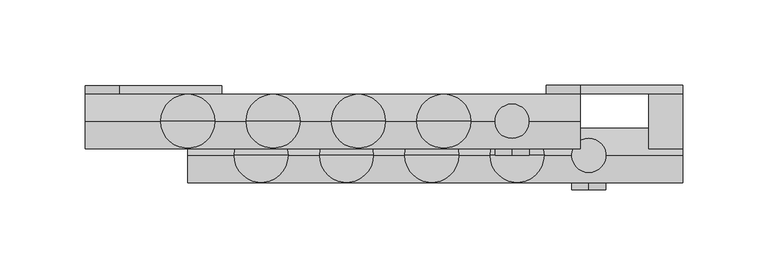
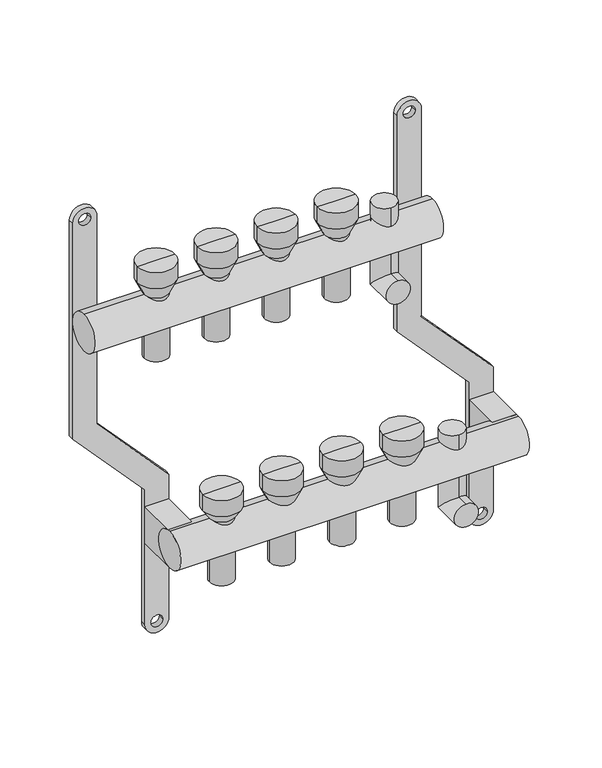
"""IFC4 building model written with IfcOpenShell, lengths in millimetres: proxy geometry."""

from ifc_helpers import new_model, si_unit, point, frame, frame_2d, origin, origin_2d, place, context, project, spatial, polyline, circle_curve, ellipse_curve, trimmed, segment, composite_curve, outline, extrude, source, transform, mapped, element, save
from ifc_brep_helpers import plane_surface, cylinder_surface, revolved_surface, advanced_brep


def mechanical_equipment_43ee845e(model_context):
    return source(origin(), model_context, "Body", "SolidModel", [
        extrude(outline(composite_curve([segment(trimmed(circle_curve(frame_2d((86.2845679, 270.0)), 10.0), [point((86.2845679, 280.0))], [point((86.2845679, 260.0))], False, "CARTESIAN"), True, "CONTINUOUS"), segment(polyline([(86.2845679, 260.0), (-103.7138261, 260.0), (-169.0329221, 320.0), (-287.9537524, 320.0)]), True, "CONTINUOUS"), segment(trimmed(circle_curve(frame_2d((-287.9537524, 330.0)), 10.0), [point((-287.9537524, 320.0))], [point((-287.9537524, 340.0))], False, "CARTESIAN"), True, "CONTINUOUS"), segment(polyline([(-287.9537524, 340.0), (-162.5345282, 340.0), (-97.2154321, 280.0), (86.2845679, 280.0)]), True, "CONTINUOUS")], self_intersect=False), holes=[composite_curve([segment(trimmed(circle_curve(frame_2d((86.2845679, 270.0)), 5.0), [point((86.2845679, 265.0))], [point((86.2845679, 275.0))], True, "CARTESIAN"), True, "CONTINUOUS"), segment(trimmed(circle_curve(frame_2d((86.2845679, 270.0)), 5.0), [point((86.2845679, 275.0))], [point((86.2845679, 265.0))], True, "CARTESIAN"), True, "CONTINUOUS")], self_intersect=False), composite_curve([segment(trimmed(circle_curve(frame_2d((-287.9537524, 330.0)), 5.0), [point((-287.9537524, 325.0))], [point((-287.9537524, 335.0))], True, "CARTESIAN"), True, "CONTINUOUS"), segment(trimmed(circle_curve(frame_2d((-287.9537524, 330.0)), 5.0), [point((-287.9537524, 335.0))], [point((-287.9537524, 325.0))], True, "CARTESIAN"), True, "CONTINUOUS")], self_intersect=False)]), frame((0.0, 16.0, 0.0), z_axis=(0.0, 1.0, 0.0), x_axis=(0.0, 0.0, 1.0)), (0.0, 0.0, 1.0), 5.0),
        advanced_brep(
        [(285.0, -40.0, -250.0), (285.0, -40.0, -230.0), (285.0, -10.0, -250.0), (285.0, -30.0, -230.0), (285.0, -10.0, -175.079492), (285.0, -30.0, -175.079492)],
        [
            (0, 1, circle_curve(frame((285.0, -40.0, -240.0), z_axis=(0.0, -1.0, 0.0), x_axis=(0.0, 0.0, 1.0)), 10.0)),
            (1, 0, circle_curve(frame((285.0, -40.0, -240.0), z_axis=(0.0, -1.0, 0.0), x_axis=(0.0, 0.0, 1.0)), 10.0)),
            (0, 2),
            (2, 3, ellipse_curve(frame((285.0, -20.0, -240.0), z_axis=(0.0, -0.7071067811865475, -0.7071067811865475), x_axis=(0.0, -0.7071067811865476, 0.7071067811865474)), 14.1421356, 10.0)),
            (3, 1),
            (3, 2, ellipse_curve(frame((285.0, -20.0, -240.0), z_axis=(0.0, -0.7071067811865475, -0.7071067811865475), x_axis=(0.0, -0.7071067811865476, 0.7071067811865474)), 14.1421356, 10.0)),
            (4, 5, circle_curve(frame((285.0, -20.0, -175.079492), z_axis=(0.0, 0.0, 1.0), x_axis=(0.0, -1.0, 0.0)), 10.0)),
            (5, 4, circle_curve(frame((285.0, -20.0, -175.079492), z_axis=(0.0, 0.0, 1.0), x_axis=(0.0, -1.0, 0.0)), 10.0)),
            (2, 4),
            (5, 3),
        ],
        [
            plane_surface(frame((285.0, -40.0, -240.0), z_axis=(0.0, -1.0, 0.0), x_axis=(1.0, 0.0, 0.0))),
            cylinder_surface(frame((285.0, -40.0, -240.0), z_axis=(0.0, -1.0, 0.0), x_axis=(0.0, 0.0, 1.0)), 10.0),
            plane_surface(frame((285.0, -20.0, -175.079492), z_axis=(0.0, 0.0, 1.0), x_axis=(1.0, 0.0, 0.0))),
            cylinder_surface(frame((285.0, -20.0, -240.0), z_axis=(0.0, 0.0, -1.0), x_axis=(0.0, -1.0, 0.0)), 10.0),
        ],
        [
            (0, [[1, 2]]),
            (1, [[-1, 3, 4, 5]]),
            (1, [[-2, -5, 6, -3]]),
            (2, [[7, 8]]),
            (3, [[-4, 9, -8, 10]]),
            (3, [[-6, -10, -7, -9]]),
        ],
    ),
        advanced_brep(
        [(240.0, -20.0, -50.0), (240.0, -20.0, -30.0), (240.0, 10.0, -50.0), (240.0, -10.0, -30.0), (240.0, 10.0, 28.420508), (240.0, -10.0, 28.420508)],
        [
            (0, 1, circle_curve(frame((240.0, -20.0, -40.0), z_axis=(0.0, -1.0, 0.0), x_axis=(0.0, 0.0, 1.0)), 10.0)),
            (1, 0, circle_curve(frame((240.0, -20.0, -40.0), z_axis=(0.0, -1.0, 0.0), x_axis=(0.0, 0.0, 1.0)), 10.0)),
            (0, 2),
            (2, 3, ellipse_curve(frame((240.0, 0.0, -40.0), z_axis=(0.0, -0.7071067811865486, -0.7071067811865464), x_axis=(0.0, -0.7071067811865466, 0.7071067811865485)), 14.1421356, 10.0)),
            (3, 1),
            (3, 2, ellipse_curve(frame((240.0, 0.0, -40.0), z_axis=(0.0, -0.7071067811865486, -0.7071067811865464), x_axis=(0.0, -0.7071067811865466, 0.7071067811865485)), 14.1421356, 10.0)),
            (4, 5, circle_curve(frame((240.0, 0.0, 28.420508), z_axis=(0.0, 0.0, 1.0), x_axis=(0.0, -1.0, 0.0)), 10.0)),
            (5, 4, circle_curve(frame((240.0, 0.0, 28.420508), z_axis=(0.0, 0.0, 1.0), x_axis=(0.0, -1.0, 0.0)), 10.0)),
            (2, 4),
            (5, 3),
        ],
        [
            plane_surface(frame((240.0, -20.0, -40.0), z_axis=(0.0, -1.0, 0.0), x_axis=(1.0, 0.0, 0.0))),
            cylinder_surface(frame((240.0, -20.0, -40.0), z_axis=(0.0, -1.0, 0.0), x_axis=(0.0, 0.0, 1.0)), 10.0),
            plane_surface(frame((240.0, 0.0, 28.420508), z_axis=(0.0, 0.0, 1.0), x_axis=(1.0, 0.0, 0.0))),
            cylinder_surface(frame((240.0, 0.0, -40.0), z_axis=(0.0, 0.0, -1.0), x_axis=(0.0, -1.0, 0.0)), 10.0),
        ],
        [
            (0, [[1, 2]]),
            (1, [[-1, 3, 4, 5]]),
            (1, [[-2, -5, 6, -3]]),
            (2, [[7, 8]]),
            (3, [[-4, 9, -8, 10]]),
            (3, [[-6, -10, -7, -9]]),
        ],
    ),
        extrude(outline(composite_curve([segment(trimmed(circle_curve(frame_2d((-20.0, -200.0)), 16.0), [point((-20.0, -216.0))], [point((-20.0, -184.0))], False, "CARTESIAN"), True, "CONTINUOUS"), segment(trimmed(circle_curve(frame_2d((-20.0, -200.0)), 16.0), [point((-20.0, -184.0))], [point((-20.0, -216.0))], False, "CARTESIAN"), True, "CONTINUOUS")], self_intersect=False)), frame((50.0, 0.0, 0.0), z_axis=(1.0, 0.0, 0.0), x_axis=(0.0, 1.0, 0.0)), (0.0, 0.0, 1.0), 290.0),
        extrude(outline(composite_curve([segment(trimmed(circle_curve(origin_2d(), 16.0), [point((0.0, -16.0))], [point((0.0, 16.0))], False, "CARTESIAN"), True, "CONTINUOUS"), segment(trimmed(circle_curve(origin_2d(), 16.0), [point((0.0, 16.0))], [point((0.0, -16.0))], False, "CARTESIAN"), True, "CONTINUOUS")], self_intersect=False)), frame((-10.0, 0.0, 0.0), z_axis=(1.0, 0.0, 0.0), x_axis=(0.0, 1.0, 0.0)), (0.0, 0.0, 1.0), 290.0),
        extrude(outline(polyline([(340.0, 16.0), (340.0, -20.0), (320.0, -20.0), (320.0, 16.0), (340.0, 16.0)])), frame((0.0, 0.0, -216.0), z_axis=(0.0, 0.0, 1.0), x_axis=(1.0, 0.0, 0.0)), (0.0, 0.0, 1.0), 32.0),
        extrude(outline(polyline([(70.0, 16.0), (70.0, -20.0), (50.0, -20.0), (50.0, 16.0), (70.0, 16.0)])), frame((0.0, 0.0, -216.0), z_axis=(0.0, 0.0, 1.0), x_axis=(1.0, 0.0, 0.0)), (0.0, 0.0, 1.0), 32.0),
        advanced_brep(
        [(208.0, 0.0, -40.0), (192.0, 0.0, -40.0), (192.0, 0.0, 16.0), (208.0, 0.0, 16.0), (210.0, 0.0, -40.0), (190.0, 0.0, -40.0), (210.0, 0.0, 16.0), (190.0, 0.0, 16.0), (215.791778, 0.0, 28.420508), (184.208222, 0.0, 28.420508), (215.791778, 0.0, 42.4712727), (184.208222, 0.0, 42.4712727), (200.0, 0.0, 42.4712727), (200.0, 0.0, 16.0)],
        [
            (0, 1, circle_curve(frame((200.0, 0.0, -40.0), z_axis=(0.0, 0.0, -1.0), x_axis=(-1.0, 0.0, 0.0)), 8.0)),
            (1, 2),
            (2, 3, circle_curve(frame((200.0, 0.0, 16.0), z_axis=(0.0, 0.0, 1.0), x_axis=(-1.0, 0.0, 0.0)), 8.0)),
            (3, 0),
            (1, 0, circle_curve(frame((200.0, 0.0, -40.0), z_axis=(0.0, 0.0, -1.0), x_axis=(-1.0, 0.0, 0.0)), 8.0)),
            (3, 2, circle_curve(frame((200.0, 0.0, 16.0), z_axis=(0.0, 0.0, 1.0), x_axis=(-1.0, 0.0, 0.0)), 8.0)),
            (4, 5, circle_curve(frame((200.0, 0.0, -40.0), z_axis=(0.0, 0.0, -1.0), x_axis=(-1.0, 0.0, 0.0)), 10.0)),
            (5, 1),
            (0, 4),
            (5, 4, circle_curve(frame((200.0, 0.0, -40.0), z_axis=(0.0, 0.0, -1.0), x_axis=(-1.0, 0.0, 0.0)), 10.0)),
            (6, 7, circle_curve(frame((200.0, 0.0, 16.0), z_axis=(0.0, 0.0, -1.0), x_axis=(-1.0, 0.0, 0.0)), 10.0)),
            (7, 5),
            (4, 6),
            (7, 6, circle_curve(frame((200.0, 0.0, 16.0), z_axis=(0.0, 0.0, -1.0), x_axis=(-1.0, 0.0, 0.0)), 10.0)),
            (8, 9, circle_curve(frame((200.0, 0.0, 28.420508), z_axis=(0.0, 0.0, -1.0), x_axis=(-1.0, 0.0, 0.0)), 15.791778)),
            (9, 7),
            (6, 8),
            (9, 8, circle_curve(frame((200.0, 0.0, 28.420508), z_axis=(0.0, 0.0, -1.0), x_axis=(-1.0, 0.0, 0.0)), 15.791778)),
            (10, 11, circle_curve(frame((200.0, 0.0, 42.4712727), z_axis=(0.0, 0.0, -1.0), x_axis=(-1.0, 0.0, 0.0)), 15.791778)),
            (11, 9),
            (8, 10),
            (11, 10, circle_curve(frame((200.0, 0.0, 42.4712727), z_axis=(0.0, 0.0, -1.0), x_axis=(-1.0, 0.0, 0.0)), 15.791778)),
            (12, 11),
            (10, 12),
            (2, 13),
            (13, 3),
        ],
        [
            revolved_surface(polyline([(192.0, 0.0, 16.0), (192.0, 0.0, -40.0)]), (200.0, 0.0, 0.0), (0.0, 0.0, 1.0)),
            plane_surface(frame((200.0, 0.0, -40.0), z_axis=(0.0, 0.0, -1.0), x_axis=(-1.0, 0.0, 0.0))),
            cylinder_surface(frame((200.0, 0.0, 0.0), z_axis=(0.0, 0.0, 1.0), x_axis=(-1.0, 0.0, 0.0)), 10.0),
            revolved_surface(polyline([(190.0, 0.0, 16.0), (184.208222, 0.0, 28.420508)]), (200.0, 0.0, 0.0), (0.0, 0.0, 1.0)),
            cylinder_surface(frame((200.0, 0.0, 0.0), z_axis=(0.0, 0.0, 1.0), x_axis=(-1.0, 0.0, 0.0)), 15.791778),
            plane_surface(frame((200.0, 0.0, 42.4712727), z_axis=(0.0, 0.0, 1.0), x_axis=(-1.0, 0.0, 0.0))),
            plane_surface(frame((200.0, 0.0, 16.0), z_axis=(0.0, 0.0, -1.0), x_axis=(-1.0, 0.0, 0.0))),
        ],
        [
            (0, [[1, 2, 3, 4]]),
            (0, [[5, -4, 6, -2]]),
            (1, [[7, 8, -1, 9]]),
            (1, [[10, -9, -5, -8]]),
            (2, [[11, 12, -7, 13]]),
            (2, [[14, -13, -10, -12]]),
            (3, [[15, 16, -11, 17]]),
            (3, [[18, -17, -14, -16]]),
            (4, [[19, 20, -15, 21]]),
            (4, [[22, -21, -18, -20]]),
            (5, [[23, -19, 24]]),
            (5, [[-24, -22, -23]]),
            (6, [[-3, 25, 26]]),
            (6, [[-6, -26, -25]]),
        ],
    ),
        advanced_brep(
        [(158.0, 0.0, -40.0), (142.0, 0.0, -40.0), (142.0, 0.0, 16.0), (158.0, 0.0, 16.0), (160.0, 0.0, -40.0), (140.0, 0.0, -40.0), (160.0, 0.0, 16.0), (140.0, 0.0, 16.0), (165.791778, 0.0, 28.420508), (134.208222, 0.0, 28.420508), (165.791778, 0.0, 42.4712727), (134.208222, 0.0, 42.4712727), (150.0, 0.0, 42.4712727), (150.0, 0.0, 16.0)],
        [
            (0, 1, circle_curve(frame((150.0, 0.0, -40.0), z_axis=(0.0, 0.0, -1.0), x_axis=(-1.0, 0.0, 0.0)), 8.0)),
            (1, 2),
            (2, 3, circle_curve(frame((150.0, 0.0, 16.0), z_axis=(0.0, 0.0, 1.0), x_axis=(-1.0, 0.0, 0.0)), 8.0)),
            (3, 0),
            (1, 0, circle_curve(frame((150.0, 0.0, -40.0), z_axis=(0.0, 0.0, -1.0), x_axis=(-1.0, 0.0, 0.0)), 8.0)),
            (3, 2, circle_curve(frame((150.0, 0.0, 16.0), z_axis=(0.0, 0.0, 1.0), x_axis=(-1.0, 0.0, 0.0)), 8.0)),
            (4, 5, circle_curve(frame((150.0, 0.0, -40.0), z_axis=(0.0, 0.0, -1.0), x_axis=(-1.0, 0.0, 0.0)), 10.0)),
            (5, 1),
            (0, 4),
            (5, 4, circle_curve(frame((150.0, 0.0, -40.0), z_axis=(0.0, 0.0, -1.0), x_axis=(-1.0, 0.0, 0.0)), 10.0)),
            (6, 7, circle_curve(frame((150.0, 0.0, 16.0), z_axis=(0.0, 0.0, -1.0), x_axis=(-1.0, 0.0, 0.0)), 10.0)),
            (7, 5),
            (4, 6),
            (7, 6, circle_curve(frame((150.0, 0.0, 16.0), z_axis=(0.0, 0.0, -1.0), x_axis=(-1.0, 0.0, 0.0)), 10.0)),
            (8, 9, circle_curve(frame((150.0, 0.0, 28.420508), z_axis=(0.0, 0.0, -1.0), x_axis=(-1.0, 0.0, 0.0)), 15.791778)),
            (9, 7),
            (6, 8),
            (9, 8, circle_curve(frame((150.0, 0.0, 28.420508), z_axis=(0.0, 0.0, -1.0), x_axis=(-1.0, 0.0, 0.0)), 15.791778)),
            (10, 11, circle_curve(frame((150.0, 0.0, 42.4712727), z_axis=(0.0, 0.0, -1.0), x_axis=(-1.0, 0.0, 0.0)), 15.791778)),
            (11, 9),
            (8, 10),
            (11, 10, circle_curve(frame((150.0, 0.0, 42.4712727), z_axis=(0.0, 0.0, -1.0), x_axis=(-1.0, 0.0, 0.0)), 15.791778)),
            (12, 11),
            (10, 12),
            (2, 13),
            (13, 3),
        ],
        [
            revolved_surface(polyline([(142.0, 0.0, 16.0), (142.0, 0.0, -40.0)]), (150.0, 0.0, 0.0), (0.0, 0.0, 1.0)),
            plane_surface(frame((150.0, 0.0, -40.0), z_axis=(0.0, 0.0, -1.0), x_axis=(-1.0, 0.0, 0.0))),
            cylinder_surface(frame((150.0, 0.0, 0.0), z_axis=(0.0, 0.0, 1.0), x_axis=(-1.0, 0.0, 0.0)), 10.0),
            revolved_surface(polyline([(140.0, 0.0, 16.0), (134.208222, 0.0, 28.420508)]), (150.0, 0.0, 0.0), (0.0, 0.0, 1.0)),
            cylinder_surface(frame((150.0, 0.0, 0.0), z_axis=(0.0, 0.0, 1.0), x_axis=(-1.0, 0.0, 0.0)), 15.791778),
            plane_surface(frame((150.0, 0.0, 42.4712727), z_axis=(0.0, 0.0, 1.0), x_axis=(-1.0, 0.0, 0.0))),
            plane_surface(frame((150.0, 0.0, 16.0), z_axis=(0.0, 0.0, -1.0), x_axis=(-1.0, 0.0, 0.0))),
        ],
        [
            (0, [[1, 2, 3, 4]]),
            (0, [[5, -4, 6, -2]]),
            (1, [[7, 8, -1, 9]]),
            (1, [[10, -9, -5, -8]]),
            (2, [[11, 12, -7, 13]]),
            (2, [[14, -13, -10, -12]]),
            (3, [[15, 16, -11, 17]]),
            (3, [[18, -17, -14, -16]]),
            (4, [[19, 20, -15, 21]]),
            (4, [[22, -21, -18, -20]]),
            (5, [[23, -19, 24]]),
            (5, [[-24, -22, -23]]),
            (6, [[-3, 25, 26]]),
            (6, [[-6, -26, -25]]),
        ],
    ),
        advanced_brep(
        [(108.0, 0.0, -40.0), (92.0, 0.0, -40.0), (92.0, 0.0, 16.0), (108.0, 0.0, 16.0), (110.0, 0.0, -40.0), (90.0, 0.0, -40.0), (110.0, 0.0, 16.0), (90.0, 0.0, 16.0), (115.791778, 0.0, 28.420508), (84.208222, 0.0, 28.420508), (115.791778, 0.0, 42.4712727), (84.208222, 0.0, 42.4712727), (100.0, 0.0, 42.4712727), (100.0, 0.0, 16.0)],
        [
            (0, 1, circle_curve(frame((100.0, 0.0, -40.0), z_axis=(0.0, 0.0, -1.0), x_axis=(-1.0, 0.0, 0.0)), 8.0)),
            (1, 2),
            (2, 3, circle_curve(frame((100.0, 0.0, 16.0), z_axis=(0.0, 0.0, 1.0), x_axis=(-1.0, 0.0, 0.0)), 8.0)),
            (3, 0),
            (1, 0, circle_curve(frame((100.0, 0.0, -40.0), z_axis=(0.0, 0.0, -1.0), x_axis=(-1.0, 0.0, 0.0)), 8.0)),
            (3, 2, circle_curve(frame((100.0, 0.0, 16.0), z_axis=(0.0, 0.0, 1.0), x_axis=(-1.0, 0.0, 0.0)), 8.0)),
            (4, 5, circle_curve(frame((100.0, 0.0, -40.0), z_axis=(0.0, 0.0, -1.0), x_axis=(-1.0, 0.0, 0.0)), 10.0)),
            (5, 1),
            (0, 4),
            (5, 4, circle_curve(frame((100.0, 0.0, -40.0), z_axis=(0.0, 0.0, -1.0), x_axis=(-1.0, 0.0, 0.0)), 10.0)),
            (6, 7, circle_curve(frame((100.0, 0.0, 16.0), z_axis=(0.0, 0.0, -1.0), x_axis=(-1.0, 0.0, 0.0)), 10.0)),
            (7, 5),
            (4, 6),
            (7, 6, circle_curve(frame((100.0, 0.0, 16.0), z_axis=(0.0, 0.0, -1.0), x_axis=(-1.0, 0.0, 0.0)), 10.0)),
            (8, 9, circle_curve(frame((100.0, 0.0, 28.420508), z_axis=(0.0, 0.0, -1.0), x_axis=(-1.0, 0.0, 0.0)), 15.791778)),
            (9, 7),
            (6, 8),
            (9, 8, circle_curve(frame((100.0, 0.0, 28.420508), z_axis=(0.0, 0.0, -1.0), x_axis=(-1.0, 0.0, 0.0)), 15.791778)),
            (10, 11, circle_curve(frame((100.0, 0.0, 42.4712727), z_axis=(0.0, 0.0, -1.0), x_axis=(-1.0, 0.0, 0.0)), 15.791778)),
            (11, 9),
            (8, 10),
            (11, 10, circle_curve(frame((100.0, 0.0, 42.4712727), z_axis=(0.0, 0.0, -1.0), x_axis=(-1.0, 0.0, 0.0)), 15.791778)),
            (12, 11),
            (10, 12),
            (2, 13),
            (13, 3),
        ],
        [
            revolved_surface(polyline([(92.0, 0.0, 16.0), (92.0, 0.0, -40.0)]), (100.0, 0.0, 0.0), (0.0, 0.0, 1.0)),
            plane_surface(frame((100.0, 0.0, -40.0), z_axis=(0.0, 0.0, -1.0), x_axis=(-1.0, 0.0, 0.0))),
            cylinder_surface(frame((100.0, 0.0, 0.0), z_axis=(0.0, 0.0, 1.0), x_axis=(-1.0, 0.0, 0.0)), 10.0),
            revolved_surface(polyline([(90.0, 0.0, 16.0), (84.208222, 0.0, 28.420508)]), (100.0, 0.0, 0.0), (0.0, 0.0, 1.0)),
            cylinder_surface(frame((100.0, 0.0, 0.0), z_axis=(0.0, 0.0, 1.0), x_axis=(-1.0, 0.0, 0.0)), 15.791778),
            plane_surface(frame((100.0, 0.0, 42.4712727), z_axis=(0.0, 0.0, 1.0), x_axis=(-1.0, 0.0, 0.0))),
            plane_surface(frame((100.0, 0.0, 16.0), z_axis=(0.0, 0.0, -1.0), x_axis=(-1.0, 0.0, 0.0))),
        ],
        [
            (0, [[1, 2, 3, 4]]),
            (0, [[5, -4, 6, -2]]),
            (1, [[7, 8, -1, 9]]),
            (1, [[10, -9, -5, -8]]),
            (2, [[11, 12, -7, 13]]),
            (2, [[14, -13, -10, -12]]),
            (3, [[15, 16, -11, 17]]),
            (3, [[18, -17, -14, -16]]),
            (4, [[19, 20, -15, 21]]),
            (4, [[22, -21, -18, -20]]),
            (5, [[23, -19, 24]]),
            (5, [[-24, -22, -23]]),
            (6, [[-3, 25, 26]]),
            (6, [[-6, -26, -25]]),
        ],
    ),
        advanced_brep(
        [(58.0, 0.0, -40.0), (42.0, 0.0, -40.0), (42.0, 0.0, 16.0), (58.0, 0.0, 16.0), (60.0, 0.0, -40.0), (40.0, 0.0, -40.0), (60.0, 0.0, 16.0), (40.0, 0.0, 16.0), (65.791778, 0.0, 28.420508), (34.208222, 0.0, 28.420508), (65.791778, 0.0, 42.4712727), (34.208222, 0.0, 42.4712727), (50.0, 0.0, 42.4712727), (50.0, 0.0, 16.0)],
        [
            (0, 1, circle_curve(frame((50.0, 0.0, -40.0), z_axis=(0.0, 0.0, -1.0), x_axis=(-1.0, 0.0, 0.0)), 8.0)),
            (1, 2),
            (2, 3, circle_curve(frame((50.0, 0.0, 16.0), z_axis=(0.0, 0.0, 1.0), x_axis=(-1.0, 0.0, 0.0)), 8.0)),
            (3, 0),
            (1, 0, circle_curve(frame((50.0, 0.0, -40.0), z_axis=(0.0, 0.0, -1.0), x_axis=(-1.0, 0.0, 0.0)), 8.0)),
            (3, 2, circle_curve(frame((50.0, 0.0, 16.0), z_axis=(0.0, 0.0, 1.0), x_axis=(-1.0, 0.0, 0.0)), 8.0)),
            (4, 5, circle_curve(frame((50.0, 0.0, -40.0), z_axis=(0.0, 0.0, -1.0), x_axis=(-1.0, 0.0, 0.0)), 10.0)),
            (5, 1),
            (0, 4),
            (5, 4, circle_curve(frame((50.0, 0.0, -40.0), z_axis=(0.0, 0.0, -1.0), x_axis=(-1.0, 0.0, 0.0)), 10.0)),
            (6, 7, circle_curve(frame((50.0, 0.0, 16.0), z_axis=(0.0, 0.0, -1.0), x_axis=(-1.0, 0.0, 0.0)), 10.0)),
            (7, 5),
            (4, 6),
            (7, 6, circle_curve(frame((50.0, 0.0, 16.0), z_axis=(0.0, 0.0, -1.0), x_axis=(-1.0, 0.0, 0.0)), 10.0)),
            (8, 9, circle_curve(frame((50.0, 0.0, 28.420508), z_axis=(0.0, 0.0, -1.0), x_axis=(-1.0, 0.0, 0.0)), 15.791778)),
            (9, 7),
            (6, 8),
            (9, 8, circle_curve(frame((50.0, 0.0, 28.420508), z_axis=(0.0, 0.0, -1.0), x_axis=(-1.0, 0.0, 0.0)), 15.791778)),
            (10, 11, circle_curve(frame((50.0, 0.0, 42.4712727), z_axis=(0.0, 0.0, -1.0), x_axis=(-1.0, 0.0, 0.0)), 15.791778)),
            (11, 9),
            (8, 10),
            (11, 10, circle_curve(frame((50.0, 0.0, 42.4712727), z_axis=(0.0, 0.0, -1.0), x_axis=(-1.0, 0.0, 0.0)), 15.791778)),
            (12, 11),
            (10, 12),
            (2, 13),
            (13, 3),
        ],
        [
            revolved_surface(polyline([(42.0, 0.0, 16.0), (42.0, 0.0, -40.0)]), (50.0, 0.0, 0.0), (0.0, 0.0, 1.0)),
            plane_surface(frame((50.0, 0.0, -40.0), z_axis=(0.0, 0.0, -1.0), x_axis=(-1.0, 0.0, 0.0))),
            cylinder_surface(frame((50.0, 0.0, 0.0), z_axis=(0.0, 0.0, 1.0), x_axis=(-1.0, 0.0, 0.0)), 10.0),
            revolved_surface(polyline([(40.0, 0.0, 16.0), (34.208222, 0.0, 28.420508)]), (50.0, 0.0, 0.0), (0.0, 0.0, 1.0)),
            cylinder_surface(frame((50.0, 0.0, 0.0), z_axis=(0.0, 0.0, 1.0), x_axis=(-1.0, 0.0, 0.0)), 15.791778),
            plane_surface(frame((50.0, 0.0, 42.4712727), z_axis=(0.0, 0.0, 1.0), x_axis=(-1.0, 0.0, 0.0))),
            plane_surface(frame((50.0, 0.0, 16.0), z_axis=(0.0, 0.0, -1.0), x_axis=(-1.0, 0.0, 0.0))),
        ],
        [
            (0, [[1, 2, 3, 4]]),
            (0, [[5, -4, 6, -2]]),
            (1, [[7, 8, -1, 9]]),
            (1, [[10, -9, -5, -8]]),
            (2, [[11, 12, -7, 13]]),
            (2, [[14, -13, -10, -12]]),
            (3, [[15, 16, -11, 17]]),
            (3, [[18, -17, -14, -16]]),
            (4, [[19, 20, -15, 21]]),
            (4, [[22, -21, -18, -20]]),
            (5, [[23, -19, 24]]),
            (5, [[-24, -22, -23]]),
            (6, [[-3, 25, 26]]),
            (6, [[-6, -26, -25]]),
        ],
    ),
        advanced_brep(
        [(251.0, -20.0, -240.0), (235.0, -20.0, -240.0), (235.0, -20.0, -187.5), (251.0, -20.0, -187.5), (253.0, -20.0, -240.0), (233.0, -20.0, -240.0), (253.0, -20.0, -187.5), (233.0, -20.0, -187.5), (258.791778, -20.0, -175.079492), (227.208222, -20.0, -175.079492), (258.791778, -20.0, -161.0287273), (227.208222, -20.0, -161.0287273), (243.0, -20.0, -161.0287273), (243.0, -20.0, -187.5)],
        [
            (0, 1, circle_curve(frame((243.0, -20.0, -240.0), z_axis=(0.0, 0.0, -1.0), x_axis=(-1.0, 0.0, 0.0)), 8.0)),
            (1, 2),
            (2, 3, circle_curve(frame((243.0, -20.0, -187.5), z_axis=(0.0, 0.0, 1.0), x_axis=(-1.0, 0.0, 0.0)), 8.0)),
            (3, 0),
            (1, 0, circle_curve(frame((243.0, -20.0, -240.0), z_axis=(0.0, 0.0, -1.0), x_axis=(-1.0, 0.0, 0.0)), 8.0)),
            (3, 2, circle_curve(frame((243.0, -20.0, -187.5), z_axis=(0.0, 0.0, 1.0), x_axis=(-1.0, 0.0, 0.0)), 8.0)),
            (4, 5, circle_curve(frame((243.0, -20.0, -240.0), z_axis=(0.0, 0.0, -1.0), x_axis=(-1.0, 0.0, 0.0)), 10.0)),
            (5, 1),
            (0, 4),
            (5, 4, circle_curve(frame((243.0, -20.0, -240.0), z_axis=(0.0, 0.0, -1.0), x_axis=(-1.0, 0.0, 0.0)), 10.0)),
            (6, 7, circle_curve(frame((243.0, -20.0, -187.5), z_axis=(0.0, 0.0, -1.0), x_axis=(-1.0, 0.0, 0.0)), 10.0)),
            (7, 5),
            (4, 6),
            (7, 6, circle_curve(frame((243.0, -20.0, -187.5), z_axis=(0.0, 0.0, -1.0), x_axis=(-1.0, 0.0, 0.0)), 10.0)),
            (8, 9, circle_curve(frame((243.0, -20.0, -175.079492), z_axis=(0.0, 0.0, -1.0), x_axis=(-1.0, 0.0, 0.0)), 15.791778)),
            (9, 7),
            (6, 8),
            (9, 8, circle_curve(frame((243.0, -20.0, -175.079492), z_axis=(0.0, 0.0, -1.0), x_axis=(-1.0, 0.0, 0.0)), 15.791778)),
            (10, 11, circle_curve(frame((243.0, -20.0, -161.0287273), z_axis=(0.0, 0.0, -1.0), x_axis=(-1.0, 0.0, 0.0)), 15.791778)),
            (11, 9),
            (8, 10),
            (11, 10, circle_curve(frame((243.0, -20.0, -161.0287273), z_axis=(0.0, 0.0, -1.0), x_axis=(-1.0, 0.0, 0.0)), 15.791778)),
            (12, 11),
            (10, 12),
            (2, 13),
            (13, 3),
        ],
        [
            revolved_surface(polyline([(235.0, -20.0, -187.5), (235.0, -20.0, -240.0)]), (243.0, -20.0, -200.0), (0.0, 0.0, 1.0)),
            plane_surface(frame((243.0, -20.0, -240.0), z_axis=(0.0, 0.0, -1.0), x_axis=(-1.0, 0.0, 0.0))),
            cylinder_surface(frame((243.0, -20.0, -200.0), z_axis=(0.0, 0.0, 1.0), x_axis=(-1.0, 0.0, 0.0)), 10.0),
            revolved_surface(polyline([(233.0, -20.0, -187.5), (227.208222, -20.0, -175.079492)]), (243.0, -20.0, -200.0), (0.0, 0.0, 1.0)),
            cylinder_surface(frame((243.0, -20.0, -200.0), z_axis=(0.0, 0.0, 1.0), x_axis=(-1.0, 0.0, 0.0)), 15.791778),
            plane_surface(frame((243.0, -20.0, -161.0287273), z_axis=(0.0, 0.0, 1.0), x_axis=(-1.0, 0.0, 0.0))),
            plane_surface(frame((243.0, -20.0, -187.5), z_axis=(0.0, 0.0, -1.0), x_axis=(-1.0, 0.0, 0.0))),
        ],
        [
            (0, [[1, 2, 3, 4]]),
            (0, [[5, -4, 6, -2]]),
            (1, [[7, 8, -1, 9]]),
            (1, [[10, -9, -5, -8]]),
            (2, [[11, 12, -7, 13]]),
            (2, [[14, -13, -10, -12]]),
            (3, [[15, 16, -11, 17]]),
            (3, [[18, -17, -14, -16]]),
            (4, [[19, 20, -15, 21]]),
            (4, [[22, -21, -18, -20]]),
            (5, [[23, -19, 24]]),
            (5, [[-24, -22, -23]]),
            (6, [[-3, 25, 26]]),
            (6, [[-6, -26, -25]]),
        ],
    ),
        advanced_brep(
        [(201.0, -20.0, -240.0), (185.0, -20.0, -240.0), (185.0, -20.0, -187.5), (201.0, -20.0, -187.5), (203.0, -20.0, -240.0), (183.0, -20.0, -240.0), (203.0, -20.0, -187.5), (183.0, -20.0, -187.5), (208.791778, -20.0, -175.079492), (177.208222, -20.0, -175.079492), (208.791778, -20.0, -161.0287273), (177.208222, -20.0, -161.0287273), (193.0, -20.0, -161.0287273), (193.0, -20.0, -187.5)],
        [
            (0, 1, circle_curve(frame((193.0, -20.0, -240.0), z_axis=(0.0, 0.0, -1.0), x_axis=(-1.0, 0.0, 0.0)), 8.0)),
            (1, 2),
            (2, 3, circle_curve(frame((193.0, -20.0, -187.5), z_axis=(0.0, 0.0, 1.0), x_axis=(-1.0, 0.0, 0.0)), 8.0)),
            (3, 0),
            (1, 0, circle_curve(frame((193.0, -20.0, -240.0), z_axis=(0.0, 0.0, -1.0), x_axis=(-1.0, 0.0, 0.0)), 8.0)),
            (3, 2, circle_curve(frame((193.0, -20.0, -187.5), z_axis=(0.0, 0.0, 1.0), x_axis=(-1.0, 0.0, 0.0)), 8.0)),
            (4, 5, circle_curve(frame((193.0, -20.0, -240.0), z_axis=(0.0, 0.0, -1.0), x_axis=(-1.0, 0.0, 0.0)), 10.0)),
            (5, 1),
            (0, 4),
            (5, 4, circle_curve(frame((193.0, -20.0, -240.0), z_axis=(0.0, 0.0, -1.0), x_axis=(-1.0, 0.0, 0.0)), 10.0)),
            (6, 7, circle_curve(frame((193.0, -20.0, -187.5), z_axis=(0.0, 0.0, -1.0), x_axis=(-1.0, 0.0, 0.0)), 10.0)),
            (7, 5),
            (4, 6),
            (7, 6, circle_curve(frame((193.0, -20.0, -187.5), z_axis=(0.0, 0.0, -1.0), x_axis=(-1.0, 0.0, 0.0)), 10.0)),
            (8, 9, circle_curve(frame((193.0, -20.0, -175.079492), z_axis=(0.0, 0.0, -1.0), x_axis=(-1.0, 0.0, 0.0)), 15.791778)),
            (9, 7),
            (6, 8),
            (9, 8, circle_curve(frame((193.0, -20.0, -175.079492), z_axis=(0.0, 0.0, -1.0), x_axis=(-1.0, 0.0, 0.0)), 15.791778)),
            (10, 11, circle_curve(frame((193.0, -20.0, -161.0287273), z_axis=(0.0, 0.0, -1.0), x_axis=(-1.0, 0.0, 0.0)), 15.791778)),
            (11, 9),
            (8, 10),
            (11, 10, circle_curve(frame((193.0, -20.0, -161.0287273), z_axis=(0.0, 0.0, -1.0), x_axis=(-1.0, 0.0, 0.0)), 15.791778)),
            (12, 11),
            (10, 12),
            (2, 13),
            (13, 3),
        ],
        [
            revolved_surface(polyline([(185.0, -20.0, -187.5), (185.0, -20.0, -240.0)]), (193.0, -20.0, -200.0), (0.0, 0.0, 1.0)),
            plane_surface(frame((193.0, -20.0, -240.0), z_axis=(0.0, 0.0, -1.0), x_axis=(-1.0, 0.0, 0.0))),
            cylinder_surface(frame((193.0, -20.0, -200.0), z_axis=(0.0, 0.0, 1.0), x_axis=(-1.0, 0.0, 0.0)), 10.0),
            revolved_surface(polyline([(183.0, -20.0, -187.5), (177.208222, -20.0, -175.079492)]), (193.0, -20.0, -200.0), (0.0, 0.0, 1.0)),
            cylinder_surface(frame((193.0, -20.0, -200.0), z_axis=(0.0, 0.0, 1.0), x_axis=(-1.0, 0.0, 0.0)), 15.791778),
            plane_surface(frame((193.0, -20.0, -161.0287273), z_axis=(0.0, 0.0, 1.0), x_axis=(-1.0, 0.0, 0.0))),
            plane_surface(frame((193.0, -20.0, -187.5), z_axis=(0.0, 0.0, -1.0), x_axis=(-1.0, 0.0, 0.0))),
        ],
        [
            (0, [[1, 2, 3, 4]]),
            (0, [[5, -4, 6, -2]]),
            (1, [[7, 8, -1, 9]]),
            (1, [[10, -9, -5, -8]]),
            (2, [[11, 12, -7, 13]]),
            (2, [[14, -13, -10, -12]]),
            (3, [[15, 16, -11, 17]]),
            (3, [[18, -17, -14, -16]]),
            (4, [[19, 20, -15, 21]]),
            (4, [[22, -21, -18, -20]]),
            (5, [[23, -19, 24]]),
            (5, [[-24, -22, -23]]),
            (6, [[-3, 25, 26]]),
            (6, [[-6, -26, -25]]),
        ],
    ),
        advanced_brep(
        [(151.0, -20.0, -240.0), (135.0, -20.0, -240.0), (135.0, -20.0, -187.5), (151.0, -20.0, -187.5), (153.0, -20.0, -240.0), (133.0, -20.0, -240.0), (153.0, -20.0, -187.5), (133.0, -20.0, -187.5), (158.791778, -20.0, -175.079492), (127.208222, -20.0, -175.079492), (158.791778, -20.0, -161.0287273), (127.208222, -20.0, -161.0287273), (143.0, -20.0, -161.0287273), (143.0, -20.0, -187.5)],
        [
            (0, 1, circle_curve(frame((143.0, -20.0, -240.0), z_axis=(0.0, 0.0, -1.0), x_axis=(-1.0, 0.0, 0.0)), 8.0)),
            (1, 2),
            (2, 3, circle_curve(frame((143.0, -20.0, -187.5), z_axis=(0.0, 0.0, 1.0), x_axis=(-1.0, 0.0, 0.0)), 8.0)),
            (3, 0),
            (1, 0, circle_curve(frame((143.0, -20.0, -240.0), z_axis=(0.0, 0.0, -1.0), x_axis=(-1.0, 0.0, 0.0)), 8.0)),
            (3, 2, circle_curve(frame((143.0, -20.0, -187.5), z_axis=(0.0, 0.0, 1.0), x_axis=(-1.0, 0.0, 0.0)), 8.0)),
            (4, 5, circle_curve(frame((143.0, -20.0, -240.0), z_axis=(0.0, 0.0, -1.0), x_axis=(-1.0, 0.0, 0.0)), 10.0)),
            (5, 1),
            (0, 4),
            (5, 4, circle_curve(frame((143.0, -20.0, -240.0), z_axis=(0.0, 0.0, -1.0), x_axis=(-1.0, 0.0, 0.0)), 10.0)),
            (6, 7, circle_curve(frame((143.0, -20.0, -187.5), z_axis=(0.0, 0.0, -1.0), x_axis=(-1.0, 0.0, 0.0)), 10.0)),
            (7, 5),
            (4, 6),
            (7, 6, circle_curve(frame((143.0, -20.0, -187.5), z_axis=(0.0, 0.0, -1.0), x_axis=(-1.0, 0.0, 0.0)), 10.0)),
            (8, 9, circle_curve(frame((143.0, -20.0, -175.079492), z_axis=(0.0, 0.0, -1.0), x_axis=(-1.0, 0.0, 0.0)), 15.791778)),
            (9, 7),
            (6, 8),
            (9, 8, circle_curve(frame((143.0, -20.0, -175.079492), z_axis=(0.0, 0.0, -1.0), x_axis=(-1.0, 0.0, 0.0)), 15.791778)),
            (10, 11, circle_curve(frame((143.0, -20.0, -161.0287273), z_axis=(0.0, 0.0, -1.0), x_axis=(-1.0, 0.0, 0.0)), 15.791778)),
            (11, 9),
            (8, 10),
            (11, 10, circle_curve(frame((143.0, -20.0, -161.0287273), z_axis=(0.0, 0.0, -1.0), x_axis=(-1.0, 0.0, 0.0)), 15.791778)),
            (12, 11),
            (10, 12),
            (2, 13),
            (13, 3),
        ],
        [
            revolved_surface(polyline([(135.0, -20.0, -187.5), (135.0, -20.0, -240.0)]), (143.0, -20.0, -200.0), (0.0, 0.0, 1.0)),
            plane_surface(frame((143.0, -20.0, -240.0), z_axis=(0.0, 0.0, -1.0), x_axis=(-1.0, 0.0, 0.0))),
            cylinder_surface(frame((143.0, -20.0, -200.0), z_axis=(0.0, 0.0, 1.0), x_axis=(-1.0, 0.0, 0.0)), 10.0),
            revolved_surface(polyline([(133.0, -20.0, -187.5), (127.208222, -20.0, -175.079492)]), (143.0, -20.0, -200.0), (0.0, 0.0, 1.0)),
            cylinder_surface(frame((143.0, -20.0, -200.0), z_axis=(0.0, 0.0, 1.0), x_axis=(-1.0, 0.0, 0.0)), 15.791778),
            plane_surface(frame((143.0, -20.0, -161.0287273), z_axis=(0.0, 0.0, 1.0), x_axis=(-1.0, 0.0, 0.0))),
            plane_surface(frame((143.0, -20.0, -187.5), z_axis=(0.0, 0.0, -1.0), x_axis=(-1.0, 0.0, 0.0))),
        ],
        [
            (0, [[1, 2, 3, 4]]),
            (0, [[5, -4, 6, -2]]),
            (1, [[7, 8, -1, 9]]),
            (1, [[10, -9, -5, -8]]),
            (2, [[11, 12, -7, 13]]),
            (2, [[14, -13, -10, -12]]),
            (3, [[15, 16, -11, 17]]),
            (3, [[18, -17, -14, -16]]),
            (4, [[19, 20, -15, 21]]),
            (4, [[22, -21, -18, -20]]),
            (5, [[23, -19, 24]]),
            (5, [[-24, -22, -23]]),
            (6, [[-3, 25, 26]]),
            (6, [[-6, -26, -25]]),
        ],
    ),
        advanced_brep(
        [(101.0, -20.0, -240.0), (85.0, -20.0, -240.0), (85.0, -20.0, -184.0), (101.0, -20.0, -184.0), (103.0, -20.0, -240.0), (83.0, -20.0, -240.0), (103.0, -20.0, -184.0), (83.0, -20.0, -184.0), (108.791778, -20.0, -175.079492), (77.208222, -20.0, -175.079492), (108.791778, -20.0, -161.0287273), (77.208222, -20.0, -161.0287273), (93.0, -20.0, -161.0287273), (93.0, -20.0, -184.0)],
        [
            (0, 1, circle_curve(frame((93.0, -20.0, -240.0), z_axis=(0.0, 0.0, -1.0), x_axis=(-1.0, 0.0, 0.0)), 8.0)),
            (1, 2),
            (2, 3, circle_curve(frame((93.0, -20.0, -184.0), z_axis=(0.0, 0.0, 1.0), x_axis=(-1.0, 0.0, 0.0)), 8.0)),
            (3, 0),
            (1, 0, circle_curve(frame((93.0, -20.0, -240.0), z_axis=(0.0, 0.0, -1.0), x_axis=(-1.0, 0.0, 0.0)), 8.0)),
            (3, 2, circle_curve(frame((93.0, -20.0, -184.0), z_axis=(0.0, 0.0, 1.0), x_axis=(-1.0, 0.0, 0.0)), 8.0)),
            (4, 5, circle_curve(frame((93.0, -20.0, -240.0), z_axis=(0.0, 0.0, -1.0), x_axis=(-1.0, 0.0, 0.0)), 10.0)),
            (5, 1),
            (0, 4),
            (5, 4, circle_curve(frame((93.0, -20.0, -240.0), z_axis=(0.0, 0.0, -1.0), x_axis=(-1.0, 0.0, 0.0)), 10.0)),
            (6, 7, circle_curve(frame((93.0, -20.0, -184.0), z_axis=(0.0, 0.0, -1.0), x_axis=(-1.0, 0.0, 0.0)), 10.0)),
            (7, 5),
            (4, 6),
            (7, 6, circle_curve(frame((93.0, -20.0, -184.0), z_axis=(0.0, 0.0, -1.0), x_axis=(-1.0, 0.0, 0.0)), 10.0)),
            (8, 9, circle_curve(frame((93.0, -20.0, -175.079492), z_axis=(0.0, 0.0, -1.0), x_axis=(-1.0, 0.0, 0.0)), 15.791778)),
            (9, 7),
            (6, 8),
            (9, 8, circle_curve(frame((93.0, -20.0, -175.079492), z_axis=(0.0, 0.0, -1.0), x_axis=(-1.0, 0.0, 0.0)), 15.791778)),
            (10, 11, circle_curve(frame((93.0, -20.0, -161.0287273), z_axis=(0.0, 0.0, -1.0), x_axis=(-1.0, 0.0, 0.0)), 15.791778)),
            (11, 9),
            (8, 10),
            (11, 10, circle_curve(frame((93.0, -20.0, -161.0287273), z_axis=(0.0, 0.0, -1.0), x_axis=(-1.0, 0.0, 0.0)), 15.791778)),
            (12, 11),
            (10, 12),
            (2, 13),
            (13, 3),
        ],
        [
            revolved_surface(polyline([(85.0, -20.0, -184.0), (85.0, -20.0, -240.0)]), (93.0, -20.0, -200.0), (0.0, 0.0, 1.0)),
            plane_surface(frame((93.0, -20.0, -240.0), z_axis=(0.0, 0.0, -1.0), x_axis=(-1.0, 0.0, 0.0))),
            cylinder_surface(frame((93.0, -20.0, -200.0), z_axis=(0.0, 0.0, 1.0), x_axis=(-1.0, 0.0, 0.0)), 10.0),
            revolved_surface(polyline([(83.0, -20.0, -184.0), (77.208222, -20.0, -175.079492)]), (93.0, -20.0, -200.0), (0.0, 0.0, 1.0)),
            cylinder_surface(frame((93.0, -20.0, -200.0), z_axis=(0.0, 0.0, 1.0), x_axis=(-1.0, 0.0, 0.0)), 15.791778),
            plane_surface(frame((93.0, -20.0, -161.0287273), z_axis=(0.0, 0.0, 1.0), x_axis=(-1.0, 0.0, 0.0))),
            plane_surface(frame((93.0, -20.0, -184.0), z_axis=(0.0, 0.0, -1.0), x_axis=(-1.0, 0.0, 0.0))),
        ],
        [
            (0, [[1, 2, 3, 4]]),
            (0, [[5, -4, 6, -2]]),
            (1, [[7, 8, -1, 9]]),
            (1, [[10, -9, -5, -8]]),
            (2, [[11, 12, -7, 13]]),
            (2, [[14, -13, -10, -12]]),
            (3, [[15, 16, -11, 17]]),
            (3, [[18, -17, -14, -16]]),
            (4, [[19, 20, -15, 21]]),
            (4, [[22, -21, -18, -20]]),
            (5, [[23, -19, 24]]),
            (5, [[-24, -22, -23]]),
            (6, [[-3, 25, 26]]),
            (6, [[-6, -26, -25]]),
        ],
    ),
        extrude(outline(composite_curve([segment(trimmed(circle_curve(frame_2d((86.2845679, 0.0)), 10.0), [point((86.2845679, 10.0))], [point((86.2845679, -10.0))], False, "CARTESIAN"), True, "CONTINUOUS"), segment(polyline([(86.2845679, -10.0), (-103.7138261, -10.0), (-169.0329221, 50.0), (-287.9537524, 50.0)]), True, "CONTINUOUS"), segment(trimmed(circle_curve(frame_2d((-287.9537524, 60.0)), 10.0), [point((-287.9537524, 50.0))], [point((-287.9537524, 70.0))], False, "CARTESIAN"), True, "CONTINUOUS"), segment(polyline([(-287.9537524, 70.0), (-162.5345282, 70.0), (-97.2154321, 10.0), (86.2845679, 10.0)]), True, "CONTINUOUS")], self_intersect=False), holes=[composite_curve([segment(trimmed(circle_curve(frame_2d((86.2845679, 0.0)), 5.0), [point((86.2845679, -5.0))], [point((86.2845679, 5.0))], True, "CARTESIAN"), True, "CONTINUOUS"), segment(trimmed(circle_curve(frame_2d((86.2845679, 0.0)), 5.0), [point((86.2845679, 5.0))], [point((86.2845679, -5.0))], True, "CARTESIAN"), True, "CONTINUOUS")], self_intersect=False), composite_curve([segment(trimmed(circle_curve(frame_2d((-287.9537524, 60.0)), 5.0), [point((-287.9537524, 55.0))], [point((-287.9537524, 65.0))], True, "CARTESIAN"), True, "CONTINUOUS"), segment(trimmed(circle_curve(frame_2d((-287.9537524, 60.0)), 5.0), [point((-287.9537524, 65.0))], [point((-287.9537524, 55.0))], True, "CARTESIAN"), True, "CONTINUOUS")], self_intersect=False)]), frame((0.0, 16.0, 0.0), z_axis=(0.0, 1.0, 0.0), x_axis=(0.0, 0.0, 1.0)), (0.0, 0.0, 1.0), 4.847249),
    ])


if __name__ == "__main__":
    model = new_model("IFC4")
    model_context = context("Model", 3, world=origin())
    ifc_project = project(units=[si_unit("LENGTHUNIT", "METRE", prefix="MILLI")], contexts=[model_context])
    site = spatial("IfcSite", under=ifc_project)
    building = spatial("IfcBuilding", under=site)
    placement = place(None, origin())
    mechanical_equipment_shape = mechanical_equipment_43ee845e(model_context)
    element("IfcBuildingElementProxy", 1, Name="Mechanical Equipment", at=placement, inside=building, context=model_context, shape_type="MappedRepresentation", body=[
        mapped(mechanical_equipment_shape, transform((0.0, 0.0, 0.0), x_axis=(1.0, 0.0, 0.0), y_axis=(0.0, 1.0, 0.0), z_axis=(0.0, 0.0, 1.0))),
    ])
    save(model, "model.ifc")
